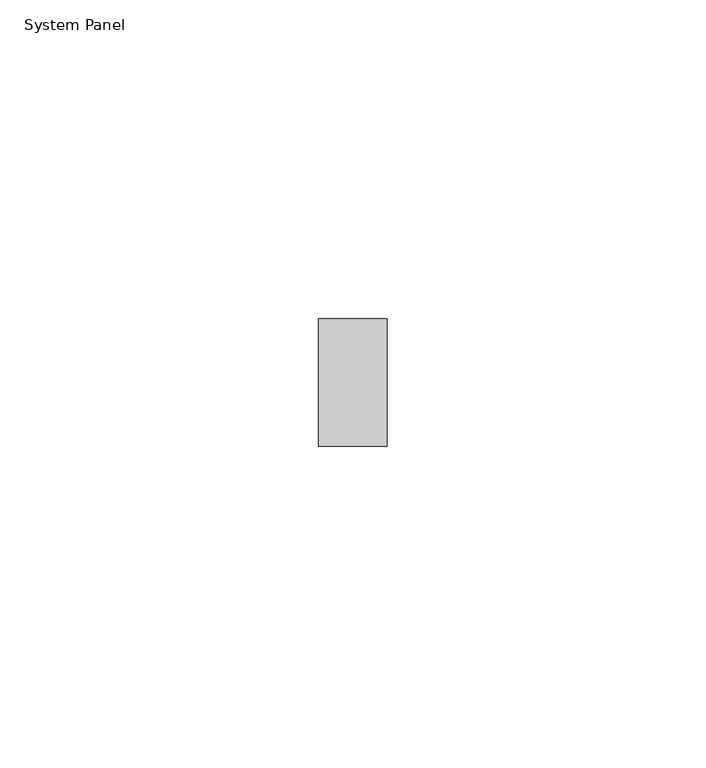
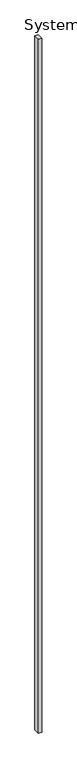
"""IFC4 building model written with IfcOpenShell, lengths in millimetres: plate geometry, System Panel."""

import ifcopenshell
import ifcopenshell.guid

model = None  # the IFC model being written
_history = None  # IfcOwnerHistory: only IFC2X3 demands one
_inside = {}  # id of a spatial element -> (the spatial element, [elements in it])
_under = {}  # id of a project, library or spatial element -> (it, [spatial elements below it])
_declared = {}  # id of a project -> (the project, [libraries it declares])
_typed = {}  # id of a type object -> (the type object, [elements of that type])
_made_of = {}  # id of a material, layer set ... -> (it, [elements and type objects made of it])


def new_model(schema):
    """Start an empty IFC model of exactly this schema.

    Asked for "IFC4X3", IfcOpenShell would pick the latest addendum, in which some entities
    have other attributes; the version numbers below select the first issue.
    IFC2X3 requires an IfcOwnerHistory on every rooted entity: one is made here for all.
    """
    global model, _history
    if schema == "IFC4X3":
        model = ifcopenshell.file(schema_version=(4, 3, 0, 0))
    else:
        model = ifcopenshell.file(schema=schema)
    _inside.clear()
    _under.clear()
    _declared.clear()
    _typed.clear()
    _made_of.clear()
    _history = None
    if model.schema == "IFC2X3":
        org = make("IfcOrganization", Name="unknown")
        user = make(
            "IfcPersonAndOrganization",
            ThePerson=make("IfcPerson", FamilyName="unknown"),
            TheOrganization=org,
        )
        app = make(
            "IfcApplication",
            ApplicationDeveloper=org,
            Version="unknown",
            ApplicationFullName="unknown",
            ApplicationIdentifier="unknown",
        )
        _history = make(
            "IfcOwnerHistory",
            OwningUser=user,
            OwningApplication=app,
            ChangeAction="ADDED",
            CreationDate=0,
        )
    return model


def make(cls, **values):
    """One entity of the class cls with the attributes given. An attribute that is None is left unset."""
    return model.create_entity(
        cls, **{name: value for name, value in values.items() if value is not None}
    )


def rooted(cls, **values):
    """An entity with a GlobalId (a new one), such as an element, a storey or a relation."""
    return make(cls, GlobalId=ifcopenshell.guid.new(), OwnerHistory=_history, **values)


def si_unit(unit_type, name, prefix=None):
    """IfcSIUnit, for example si_unit("LENGTHUNIT", "METRE", prefix="MILLI")."""
    return make("IfcSIUnit", UnitType=unit_type, Prefix=prefix, Name=name)


def assignment(units):
    """IfcUnitAssignment: the units of a project."""
    return None if units is None else make("IfcUnitAssignment", Units=units)


def point(xyz):
    """IfcCartesianPoint."""
    return None if xyz is None else make("IfcCartesianPoint", Coordinates=xyz)


def direction(xyz):
    """IfcDirection."""
    return None if xyz is None else make("IfcDirection", DirectionRatios=xyz)


def frame(location, z_axis=None, x_axis=None):
    """IfcAxis2Placement3D, a coordinate frame: its origin and axes. An axis left out is left unset."""
    return make(
        "IfcAxis2Placement3D",
        Location=point(location),
        Axis=direction(z_axis),
        RefDirection=direction(x_axis),
    )


def origin():
    """The frame at (0, 0, 0) with its axes left unset."""
    return frame((0.0, 0.0, 0.0))


def origin_with_axes():
    """The frame at (0, 0, 0) with the z axis (0, 0, 1) and the x axis (1, 0, 0) written out."""
    return frame((0.0, 0.0, 0.0), z_axis=(0.0, 0.0, 1.0), x_axis=(1.0, 0.0, 0.0))


def place(relative_to, where):
    """IfcLocalPlacement: puts the frame where relative to a parent placement (None: the world)."""
    return make(
        "IfcLocalPlacement", PlacementRelTo=relative_to, RelativePlacement=where
    )


def context(
    kind, dimensions, precision=None, world=None, true_north=None, identifier=None
):
    """IfcGeometricRepresentationContext, for example the 3D "Model" context."""
    return make(
        "IfcGeometricRepresentationContext",
        ContextIdentifier=identifier,
        ContextType=kind,
        CoordinateSpaceDimension=dimensions,
        Precision=precision,
        WorldCoordinateSystem=world,
        TrueNorth=true_north,
    )


def project(units=None, contexts=None):
    """IfcProject with its units and contexts."""
    return rooted(
        "IfcProject",
        Name="project",
        RepresentationContexts=contexts,
        UnitsInContext=assignment(units),
    )


def spatial(cls, under=None, at=None, **own):
    """A site, building, storey or space (cls), placed at a placement, below another one or the project."""
    s = rooted(cls, ObjectPlacement=at, **own)
    if under is not None:
        _under.setdefault(under.id(), (under, []))[1].append(s)
    return s


def polyline(points):
    """IfcPolyline through the points."""
    return make("IfcPolyline", Points=[point(p) for p in points])


def outline(outer, holes=None, kind="AREA"):
    """IfcArbitraryClosedProfileDef: a profile drawn as a closed curve; with holes, ...WithVoids."""
    if holes is None:
        return make("IfcArbitraryClosedProfileDef", ProfileType=kind, OuterCurve=outer)
    return make(
        "IfcArbitraryProfileDefWithVoids",
        ProfileType=kind,
        OuterCurve=outer,
        InnerCurves=holes,
    )


def extrude(swept, where, along, depth):
    """IfcExtrudedAreaSolid: the profile swept, set in the frame where, extruded along a direction by depth."""
    return make(
        "IfcExtrudedAreaSolid",
        SweptArea=swept,
        Position=where,
        ExtrudedDirection=direction(along),
        Depth=depth,
    )


def shape(context_of_items, identifier, shape_type, items):
    """IfcShapeRepresentation: the items that make up one representation, for example the "Body"."""
    return make(
        "IfcShapeRepresentation",
        ContextOfItems=context_of_items,
        RepresentationIdentifier=identifier,
        RepresentationType=shape_type,
        Items=items,
    )


def source(mapping_origin, context_of_items, identifier, shape_type, items):
    """IfcRepresentationMap: a shape defined once, which mapped items show again and again."""
    return make(
        "IfcRepresentationMap",
        MappingOrigin=mapping_origin,
        MappedRepresentation=shape(context_of_items, identifier, shape_type, items),
    )


def transform(
    local_origin,
    x_axis=None,
    y_axis=None,
    z_axis=None,
    scale=None,
    scale2=None,
    scale3=None,
    uniform=True,
):
    """IfcCartesianTransformationOperator3D, or its non-uniform kind. x_axis, y_axis, z_axis: its Axis1, 2, 3."""
    if uniform:
        return make(
            "IfcCartesianTransformationOperator3D",
            Axis1=direction(x_axis),
            Axis2=direction(y_axis),
            LocalOrigin=point(local_origin),
            Scale=scale,
            Axis3=direction(z_axis),
        )
    return make(
        "IfcCartesianTransformationOperator3DnonUniform",
        Axis1=direction(x_axis),
        Axis2=direction(y_axis),
        LocalOrigin=point(local_origin),
        Scale=scale,
        Axis3=direction(z_axis),
        Scale2=scale2,
        Scale3=scale3,
    )


def mapped(mapping_source, mapping_target):
    """IfcMappedItem: shows the shape of a source again, moved by a transform."""
    return make(
        "IfcMappedItem", MappingSource=mapping_source, MappingTarget=mapping_target
    )


def made_of(thing, what):
    """Note that an element or type object is made of a material, layer set ...; save() writes the relation."""
    if what is not None:
        _made_of.setdefault(what.id(), (what, []))[1].append(thing)
    return thing


def element(
    cls,
    number,
    at=None,
    inside=None,
    cuts=None,
    type_object=None,
    material=None,
    context=None,
    identifier="Body",
    shape_type=None,
    held_by="IfcProductDefinitionShape",
    body=None,
    shapes=None,
    **own,
):
    """One element of the class cls, such as IfcWall. Its Tag is "e" and its number.

    at: its placement. inside: the storey or other place that contains it. cuts: it is an
    opening in that element (IfcRelVoidsElement). A single representation is given by context,
    identifier, shape_type and body (its items); several are given by shapes. held_by: the class
    of the entity that holds the representations. save() writes the other relations.
    """
    e = rooted(cls, Tag="e%d" % number, ObjectPlacement=at, **own)
    if body is not None:
        shapes = [shape(context, identifier, shape_type, body)]
    if shapes is not None:
        e.Representation = make(held_by, Representations=shapes)
    if inside is not None:
        _inside.setdefault(inside.id(), (inside, []))[1].append(e)
    if cuts is not None:
        rooted(
            "IfcRelVoidsElement", RelatingBuildingElement=cuts, RelatedOpeningElement=e
        )
    if type_object is not None:
        _typed.setdefault(type_object.id(), (type_object, []))[1].append(e)
    return made_of(e, material)


def aggregate(whole, parts):
    """IfcRelAggregates: a whole, such as a stair, and the parts it consists of."""
    return rooted("IfcRelAggregates", RelatingObject=whole, RelatedObjects=parts)


def save(model, path):
    """Write the relations noted so far, then the file.

    IfcRelAggregates (storeys below a building ...), IfcRelContainedInSpatialStructure (elements
    in a storey), IfcRelDefinesByType, IfcRelAssociatesMaterial and IfcRelDeclares: one each for
    every whole, place, type object, material and project.
    """
    for whole, parts in _under.values():
        aggregate(whole, parts)
    for where, things in _inside.values():
        rooted(
            "IfcRelContainedInSpatialStructure",
            RelatedElements=things,
            RelatingStructure=where,
        )
    for kind, things in _typed.values():
        rooted("IfcRelDefinesByType", RelatedObjects=things, RelatingType=kind)
    for what, things in _made_of.values():
        rooted("IfcRelAssociatesMaterial", RelatedObjects=things, RelatingMaterial=what)
    for by, libraries in _declared.values():
        rooted("IfcRelDeclares", RelatingContext=by, RelatedDefinitions=libraries)
    model.write(path)


def system_panel_f605d5ce(model_context):
    return source(origin(), model_context, "Body", "SweptSolid", [
        extrude(outline(polyline([(5.3557122, -10.0), (-5.3557122, -10.0), (-5.3557122, 10.0), (5.3557122, 10.0), (5.3557122, -10.0)])), origin_with_axes(), (0.0, 0.0, 1.0), 2400.0),
    ])


if __name__ == "__main__":
    model = new_model("IFC4")
    model_context = context("Model", 3, world=origin())
    ifc_project = project(units=[si_unit("LENGTHUNIT", "METRE", prefix="MILLI")], contexts=[model_context])
    site = spatial("IfcSite", under=ifc_project)
    building = spatial("IfcBuilding", under=site)
    placement = place(None, origin())
    system_panel_shape = system_panel_f605d5ce(model_context)
    element("IfcPlate", 1, ObjectType="System Panel", at=placement, inside=building, context=model_context, shape_type="MappedRepresentation", body=[
        mapped(system_panel_shape, transform((0.0, 0.0, 0.0), x_axis=(1.0, 0.0, 0.0), y_axis=(0.0, 1.0, 0.0), z_axis=(0.0, 0.0, 1.0))),
    ])
    save(model, "model.ifc")
